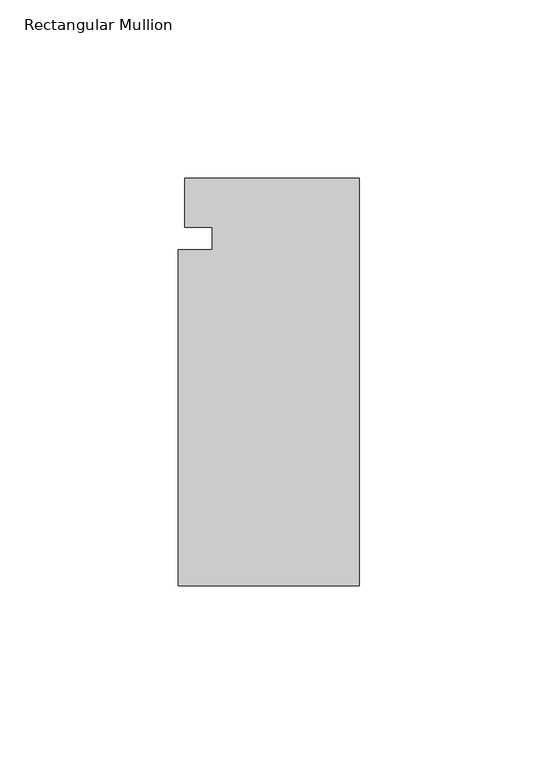
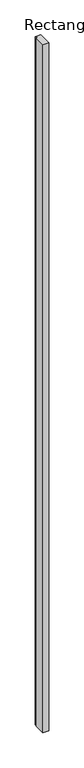
"""IFC4 building model written with IfcOpenShell, lengths in millimetres: member geometry, Rectangular Mullion."""

from ifc_helpers import new_model, si_unit, frame, origin, place, context, project, spatial, polyline, outline, extrude, source, transform, mapped, element, save


def rectangular_mullion_7c1bef9f(model_context):
    return source(origin(), model_context, "Body", "SweptSolid", [
        extrude(outline(polyline([(0.0, -46.7320312), (-50.8, -46.7320312), (-50.8, 47.4631974), (-41.275, 47.4631974), (-41.275, 53.8131974), (-49.0449765, 53.8131974), (-49.0449765, 67.5679688), (0.0, 67.5679688), (0.0, -46.7320312)])), frame((0.0, 0.0, -6096.0), z_axis=(0.0, 0.0, 1.0), x_axis=(1.0, 0.0, 0.0)), (0.0, 0.0, 1.0), 6096.0),
    ])


if __name__ == "__main__":
    model = new_model("IFC4")
    model_context = context("Model", 3, world=origin())
    ifc_project = project(units=[si_unit("LENGTHUNIT", "METRE", prefix="MILLI")], contexts=[model_context])
    site = spatial("IfcSite", under=ifc_project)
    building = spatial("IfcBuilding", under=site)
    placement = place(None, origin())
    rectangular_mullion_shape = rectangular_mullion_7c1bef9f(model_context)
    element("IfcMember", 1, ObjectType="Rectangular Mullion", at=placement, inside=building, context=model_context, shape_type="MappedRepresentation", body=[
        mapped(rectangular_mullion_shape, transform((0.0, 0.0, 0.0), x_axis=(1.0, 0.0, 0.0), y_axis=(0.0, 1.0, 0.0), z_axis=(0.0, 0.0, 1.0))),
    ])
    save(model, "model.ifc")
